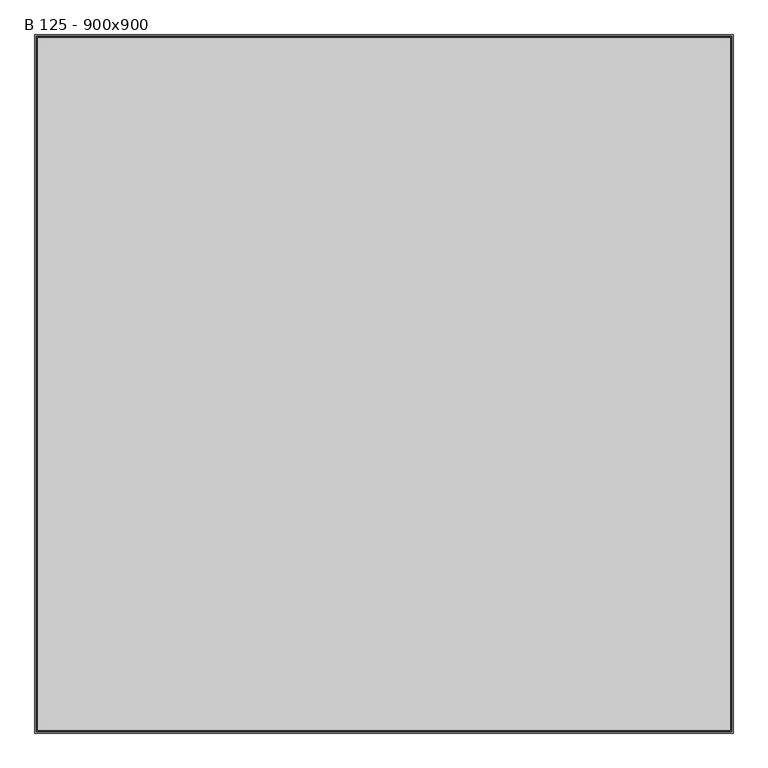
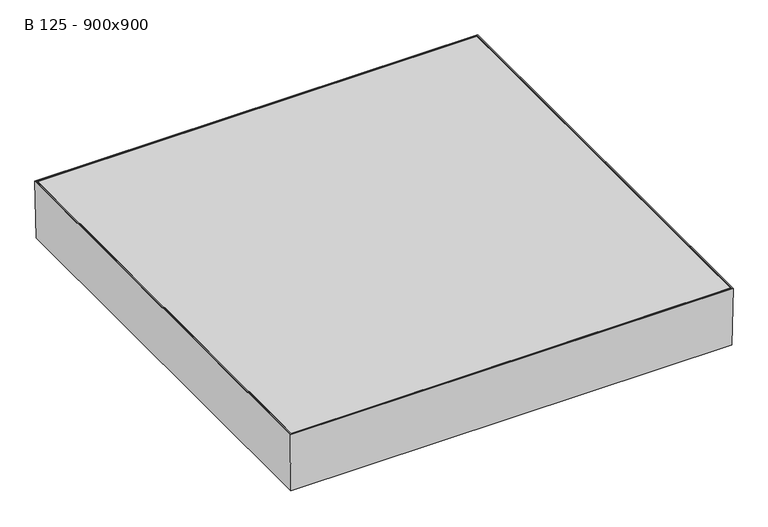
"""IFC4 building model written with IfcOpenShell, lengths in millimetres: proxy geometry, B 125 - 900x900."""

from ifc_helpers import new_model, si_unit, frame, origin, place, context, project, spatial, polyline, outline, extrude, faceted_brep, source, transform, mapped, element, save


def b_125_900x900_77b611ce(model_context):
    return source(origin(), model_context, "Body", "SolidModel", [
        extrude(outline(polyline([(501.0, 501.0), (501.0, -501.0), (-501.0, -501.0), (-501.0, 501.0), (501.0, 501.0)])), frame((0.0, 0.0, -5.0), z_axis=(0.0, 0.0, 1.0), x_axis=(1.0, 0.0, 0.0)), (0.0, 0.0, 1.0), 5.0),
        faceted_brep([(498.2666483, 498.2666483, -122.9987834), (-498.2666483, 498.2666483, -122.9987834), (-498.2666483, -498.2666483, -122.9987834), (498.2666483, -498.2666483, -122.9987834), (500.2226777, 500.2226777, -125.0), (500.2226777, -500.2226777, -125.0), (-500.2226777, -500.2226777, -125.0), (-500.2226777, 500.2226777, -125.0), (503.0, 503.0, 0.0), (503.0, -503.0, 0.0), (-503.0, -503.0, 0.0), (-503.0, 503.0, 0.0), (500.9995064, -500.9995064, 0.0), (500.9995064, 500.9995064, 0.0), (-500.9995064, -500.9995064, 0.0), (-500.9995064, 500.9995064, 0.0)], [[[0, 1, 2, 3]], [[4, 5, 6, 7]], [[4, 8, 9, 5]], [[5, 9, 10, 6]], [[6, 10, 11, 7]], [[8, 4, 7, 11]], [[0, 3, 12, 13]], [[3, 2, 14, 12]], [[2, 1, 15, 14]], [[1, 0, 13, 15]], [[9, 8, 11, 10], [13, 12, 14, 15]]]),
        faceted_brep([(502.9309621, 502.9309621, -137.0), (505.0, 505.0, 0.0), (505.0, -505.0, 0.0), (502.9309621, -502.9309621, -137.0), (-505.0, -505.0, 0.0), (-502.9309621, -502.9309621, -137.0), (-505.0, 505.0, 0.0), (-502.9309621, 502.9309621, -137.0), (450.0, 450.0, -137.0), (-450.0, 450.0, -137.0), (-450.0, -450.0, -137.0), (450.0, -450.0, -137.0), (500.960939, 500.960939, -135.0), (-500.960939, 500.960939, -135.0), (-500.960939, -500.960939, -135.0), (500.960939, -500.960939, -135.0), (452.0, -452.0, -135.0), (-452.0, -452.0, -135.0), (-452.0, 452.0, -135.0), (452.0, 452.0, -135.0), (502.9997719, -502.9997719, 0.0), (-502.9997719, -502.9997719, 0.0), (-502.9997719, 502.9997719, 0.0), (502.9997719, 502.9997719, 0.0), (450.0, 450.0, -125.0), (450.0, -450.0, -125.0), (452.0, 452.0, -125.0), (452.0, -452.0, -125.0), (-450.0, -450.0, -125.0), (-452.0, -452.0, -125.0), (-450.0, 450.0, -125.0), (-452.0, 452.0, -125.0)], [[[0, 1, 2, 3]], [[3, 2, 4, 5]], [[5, 4, 6, 7]], [[3, 5, 7, 0], [8, 9, 10, 11]], [[12, 13, 14, 15], [16, 17, 18, 19]], [[1, 6, 4, 2], [20, 21, 22, 23]], [[7, 6, 1, 0]], [[24, 8, 11, 25]], [[19, 26, 27, 16]], [[25, 11, 10, 28]], [[16, 27, 29, 17]], [[28, 10, 9, 30]], [[17, 29, 31, 18]], [[30, 9, 8, 24]], [[26, 31, 29, 27], [25, 28, 30, 24]], [[18, 31, 26, 19]], [[23, 12, 15, 20]], [[20, 15, 14, 21]], [[21, 14, 13, 22]], [[22, 13, 12, 23]]]),
    ])


if __name__ == "__main__":
    model = new_model("IFC4")
    model_context = context("Model", 3, world=origin())
    ifc_project = project(units=[si_unit("LENGTHUNIT", "METRE", prefix="MILLI")], contexts=[model_context])
    site = spatial("IfcSite", under=ifc_project)
    building = spatial("IfcBuilding", under=site)
    placement = place(None, origin())
    b_125_900x900_shape = b_125_900x900_77b611ce(model_context)
    element("IfcBuildingElementProxy", 1, Name="B 125 - 900x900", ObjectType="B 125 - 900x900", at=placement, inside=building, context=model_context, shape_type="MappedRepresentation", body=[
        mapped(b_125_900x900_shape, transform((0.0, 0.0, 0.0), x_axis=(1.0, 0.0, 0.0), y_axis=(0.0, 1.0, 0.0), z_axis=(0.0, 0.0, 1.0))),
    ])
    save(model, "model.ifc")
